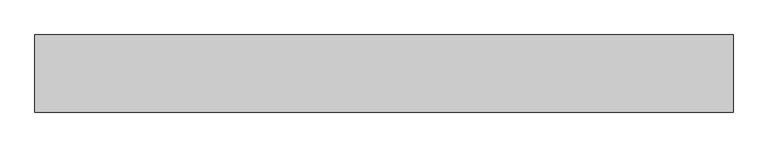
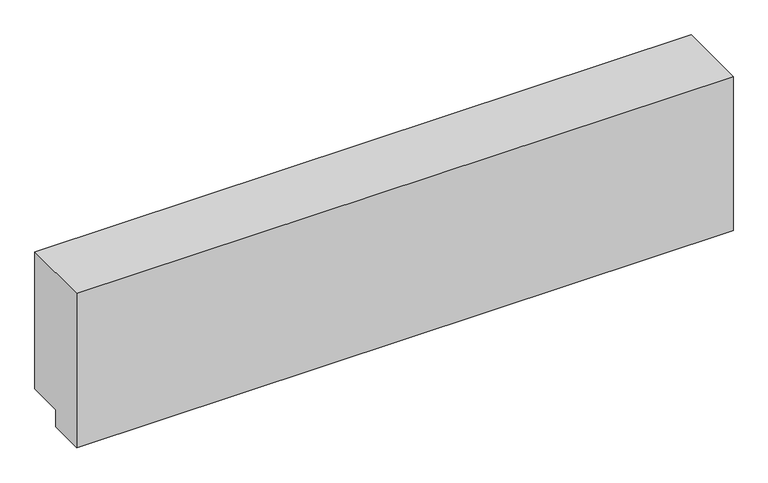
"""IFC4 building model written with IfcOpenShell, lengths in millimetres: fastener geometry."""

import ifcopenshell
import ifcopenshell.guid

model = None  # the IFC model being written
_history = None  # IfcOwnerHistory: only IFC2X3 demands one
_inside = {}  # id of a spatial element -> (the spatial element, [elements in it])
_under = {}  # id of a project, library or spatial element -> (it, [spatial elements below it])
_declared = {}  # id of a project -> (the project, [libraries it declares])
_typed = {}  # id of a type object -> (the type object, [elements of that type])
_made_of = {}  # id of a material, layer set ... -> (it, [elements and type objects made of it])


def new_model(schema):
    """Start an empty IFC model of exactly this schema.

    Asked for "IFC4X3", IfcOpenShell would pick the latest addendum, in which some entities
    have other attributes; the version numbers below select the first issue.
    IFC2X3 requires an IfcOwnerHistory on every rooted entity: one is made here for all.
    """
    global model, _history
    if schema == "IFC4X3":
        model = ifcopenshell.file(schema_version=(4, 3, 0, 0))
    else:
        model = ifcopenshell.file(schema=schema)
    _inside.clear()
    _under.clear()
    _declared.clear()
    _typed.clear()
    _made_of.clear()
    _history = None
    if model.schema == "IFC2X3":
        org = make("IfcOrganization", Name="unknown")
        user = make(
            "IfcPersonAndOrganization",
            ThePerson=make("IfcPerson", FamilyName="unknown"),
            TheOrganization=org,
        )
        app = make(
            "IfcApplication",
            ApplicationDeveloper=org,
            Version="unknown",
            ApplicationFullName="unknown",
            ApplicationIdentifier="unknown",
        )
        _history = make(
            "IfcOwnerHistory",
            OwningUser=user,
            OwningApplication=app,
            ChangeAction="ADDED",
            CreationDate=0,
        )
    return model


def make(cls, **values):
    """One entity of the class cls with the attributes given. An attribute that is None is left unset."""
    return model.create_entity(
        cls, **{name: value for name, value in values.items() if value is not None}
    )


def rooted(cls, **values):
    """An entity with a GlobalId (a new one), such as an element, a storey or a relation."""
    return make(cls, GlobalId=ifcopenshell.guid.new(), OwnerHistory=_history, **values)


def si_unit(unit_type, name, prefix=None):
    """IfcSIUnit, for example si_unit("LENGTHUNIT", "METRE", prefix="MILLI")."""
    return make("IfcSIUnit", UnitType=unit_type, Prefix=prefix, Name=name)


def assignment(units):
    """IfcUnitAssignment: the units of a project."""
    return None if units is None else make("IfcUnitAssignment", Units=units)


def point(xyz):
    """IfcCartesianPoint."""
    return None if xyz is None else make("IfcCartesianPoint", Coordinates=xyz)


def direction(xyz):
    """IfcDirection."""
    return None if xyz is None else make("IfcDirection", DirectionRatios=xyz)


def frame(location, z_axis=None, x_axis=None):
    """IfcAxis2Placement3D, a coordinate frame: its origin and axes. An axis left out is left unset."""
    return make(
        "IfcAxis2Placement3D",
        Location=point(location),
        Axis=direction(z_axis),
        RefDirection=direction(x_axis),
    )


def origin():
    """The frame at (0, 0, 0) with its axes left unset."""
    return frame((0.0, 0.0, 0.0))


def place(relative_to, where):
    """IfcLocalPlacement: puts the frame where relative to a parent placement (None: the world)."""
    return make(
        "IfcLocalPlacement", PlacementRelTo=relative_to, RelativePlacement=where
    )


def context(
    kind, dimensions, precision=None, world=None, true_north=None, identifier=None
):
    """IfcGeometricRepresentationContext, for example the 3D "Model" context."""
    return make(
        "IfcGeometricRepresentationContext",
        ContextIdentifier=identifier,
        ContextType=kind,
        CoordinateSpaceDimension=dimensions,
        Precision=precision,
        WorldCoordinateSystem=world,
        TrueNorth=true_north,
    )


def project(units=None, contexts=None):
    """IfcProject with its units and contexts."""
    return rooted(
        "IfcProject",
        Name="project",
        RepresentationContexts=contexts,
        UnitsInContext=assignment(units),
    )


def spatial(cls, under=None, at=None, **own):
    """A site, building, storey or space (cls), placed at a placement, below another one or the project."""
    s = rooted(cls, ObjectPlacement=at, **own)
    if under is not None:
        _under.setdefault(under.id(), (under, []))[1].append(s)
    return s


def polyline(points):
    """IfcPolyline through the points."""
    return make("IfcPolyline", Points=[point(p) for p in points])


def outline(outer, holes=None, kind="AREA"):
    """IfcArbitraryClosedProfileDef: a profile drawn as a closed curve; with holes, ...WithVoids."""
    if holes is None:
        return make("IfcArbitraryClosedProfileDef", ProfileType=kind, OuterCurve=outer)
    return make(
        "IfcArbitraryProfileDefWithVoids",
        ProfileType=kind,
        OuterCurve=outer,
        InnerCurves=holes,
    )


def extrude(swept, where, along, depth):
    """IfcExtrudedAreaSolid: the profile swept, set in the frame where, extruded along a direction by depth."""
    return make(
        "IfcExtrudedAreaSolid",
        SweptArea=swept,
        Position=where,
        ExtrudedDirection=direction(along),
        Depth=depth,
    )


def shape(context_of_items, identifier, shape_type, items):
    """IfcShapeRepresentation: the items that make up one representation, for example the "Body"."""
    return make(
        "IfcShapeRepresentation",
        ContextOfItems=context_of_items,
        RepresentationIdentifier=identifier,
        RepresentationType=shape_type,
        Items=items,
    )


def source(mapping_origin, context_of_items, identifier, shape_type, items):
    """IfcRepresentationMap: a shape defined once, which mapped items show again and again."""
    return make(
        "IfcRepresentationMap",
        MappingOrigin=mapping_origin,
        MappedRepresentation=shape(context_of_items, identifier, shape_type, items),
    )


def transform(
    local_origin,
    x_axis=None,
    y_axis=None,
    z_axis=None,
    scale=None,
    scale2=None,
    scale3=None,
    uniform=True,
):
    """IfcCartesianTransformationOperator3D, or its non-uniform kind. x_axis, y_axis, z_axis: its Axis1, 2, 3."""
    if uniform:
        return make(
            "IfcCartesianTransformationOperator3D",
            Axis1=direction(x_axis),
            Axis2=direction(y_axis),
            LocalOrigin=point(local_origin),
            Scale=scale,
            Axis3=direction(z_axis),
        )
    return make(
        "IfcCartesianTransformationOperator3DnonUniform",
        Axis1=direction(x_axis),
        Axis2=direction(y_axis),
        LocalOrigin=point(local_origin),
        Scale=scale,
        Axis3=direction(z_axis),
        Scale2=scale2,
        Scale3=scale3,
    )


def mapped(mapping_source, mapping_target):
    """IfcMappedItem: shows the shape of a source again, moved by a transform."""
    return make(
        "IfcMappedItem", MappingSource=mapping_source, MappingTarget=mapping_target
    )


def made_of(thing, what):
    """Note that an element or type object is made of a material, layer set ...; save() writes the relation."""
    if what is not None:
        _made_of.setdefault(what.id(), (what, []))[1].append(thing)
    return thing


def element(
    cls,
    number,
    at=None,
    inside=None,
    cuts=None,
    type_object=None,
    material=None,
    context=None,
    identifier="Body",
    shape_type=None,
    held_by="IfcProductDefinitionShape",
    body=None,
    shapes=None,
    **own,
):
    """One element of the class cls, such as IfcWall. Its Tag is "e" and its number.

    at: its placement. inside: the storey or other place that contains it. cuts: it is an
    opening in that element (IfcRelVoidsElement). A single representation is given by context,
    identifier, shape_type and body (its items); several are given by shapes. held_by: the class
    of the entity that holds the representations. save() writes the other relations.
    """
    e = rooted(cls, Tag="e%d" % number, ObjectPlacement=at, **own)
    if body is not None:
        shapes = [shape(context, identifier, shape_type, body)]
    if shapes is not None:
        e.Representation = make(held_by, Representations=shapes)
    if inside is not None:
        _inside.setdefault(inside.id(), (inside, []))[1].append(e)
    if cuts is not None:
        rooted(
            "IfcRelVoidsElement", RelatingBuildingElement=cuts, RelatedOpeningElement=e
        )
    if type_object is not None:
        _typed.setdefault(type_object.id(), (type_object, []))[1].append(e)
    return made_of(e, material)


def aggregate(whole, parts):
    """IfcRelAggregates: a whole, such as a stair, and the parts it consists of."""
    return rooted("IfcRelAggregates", RelatingObject=whole, RelatedObjects=parts)


def save(model, path):
    """Write the relations noted so far, then the file.

    IfcRelAggregates (storeys below a building ...), IfcRelContainedInSpatialStructure (elements
    in a storey), IfcRelDefinesByType, IfcRelAssociatesMaterial and IfcRelDeclares: one each for
    every whole, place, type object, material and project.
    """
    for whole, parts in _under.values():
        aggregate(whole, parts)
    for where, things in _inside.values():
        rooted(
            "IfcRelContainedInSpatialStructure",
            RelatedElements=things,
            RelatingStructure=where,
        )
    for kind, things in _typed.values():
        rooted("IfcRelDefinesByType", RelatedObjects=things, RelatingType=kind)
    for what, things in _made_of.values():
        rooted("IfcRelAssociatesMaterial", RelatedObjects=things, RelatingMaterial=what)
    for by, libraries in _declared.values():
        rooted("IfcRelDeclares", RelatingContext=by, RelatedDefinitions=libraries)
    model.write(path)


def fastener_06a09aa3(model_context):
    return source(origin(), model_context, "Body", "SweptSolid", [
        extrude(outline(polyline([(9651.187898, 10150.0), (9651.187898, 10100.0), (9551.187898, 10100.0), (9551.187898, 10550.0), (9751.187898, 10550.0), (9751.187898, 10150.0), (9651.187898, 10150.0)])), frame((-677.9488808, 0.0, 0.0), z_axis=(1.0, 0.0, 0.0), x_axis=(0.0, 1.0, 0.0)), (0.0, 0.0, 1.0), 1810.0),
    ])


if __name__ == "__main__":
    model = new_model("IFC4")
    model_context = context("Model", 3, world=origin())
    ifc_project = project(units=[si_unit("LENGTHUNIT", "METRE", prefix="MILLI")], contexts=[model_context])
    site = spatial("IfcSite", under=ifc_project)
    building = spatial("IfcBuilding", under=site)
    placement = place(None, origin())
    fastener_shape = fastener_06a09aa3(model_context)
    element("IfcFastener", 1, at=placement, inside=building, context=model_context, shape_type="MappedRepresentation", body=[
        mapped(fastener_shape, transform((0.0, 0.0, 0.0), x_axis=(1.0, 0.0, 0.0), y_axis=(0.0, 1.0, 0.0), z_axis=(0.0, 0.0, 1.0))),
    ])
    save(model, "model.ifc")
